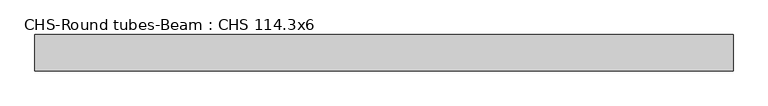
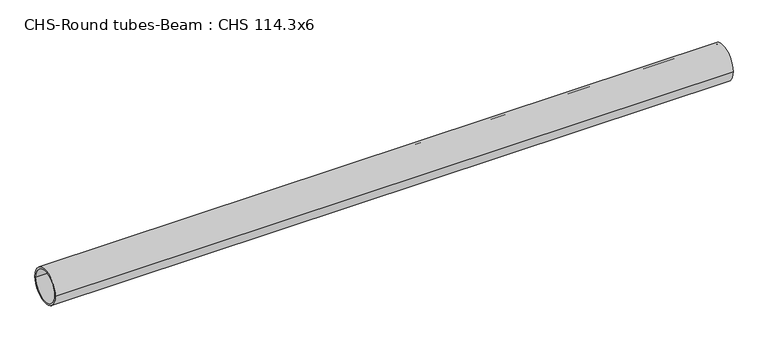
"""IFC4 building model written with IfcOpenShell, lengths in millimetres: beam geometry, CHS-Round tubes-Beam : CHS 114.3x6."""

import ifcopenshell
import ifcopenshell.guid

model = None  # the IFC model being written
_history = None  # IfcOwnerHistory: only IFC2X3 demands one
_inside = {}  # id of a spatial element -> (the spatial element, [elements in it])
_under = {}  # id of a project, library or spatial element -> (it, [spatial elements below it])
_declared = {}  # id of a project -> (the project, [libraries it declares])
_typed = {}  # id of a type object -> (the type object, [elements of that type])
_made_of = {}  # id of a material, layer set ... -> (it, [elements and type objects made of it])


def new_model(schema):
    """Start an empty IFC model of exactly this schema.

    Asked for "IFC4X3", IfcOpenShell would pick the latest addendum, in which some entities
    have other attributes; the version numbers below select the first issue.
    IFC2X3 requires an IfcOwnerHistory on every rooted entity: one is made here for all.
    """
    global model, _history
    if schema == "IFC4X3":
        model = ifcopenshell.file(schema_version=(4, 3, 0, 0))
    else:
        model = ifcopenshell.file(schema=schema)
    _inside.clear()
    _under.clear()
    _declared.clear()
    _typed.clear()
    _made_of.clear()
    _history = None
    if model.schema == "IFC2X3":
        org = make("IfcOrganization", Name="unknown")
        user = make(
            "IfcPersonAndOrganization",
            ThePerson=make("IfcPerson", FamilyName="unknown"),
            TheOrganization=org,
        )
        app = make(
            "IfcApplication",
            ApplicationDeveloper=org,
            Version="unknown",
            ApplicationFullName="unknown",
            ApplicationIdentifier="unknown",
        )
        _history = make(
            "IfcOwnerHistory",
            OwningUser=user,
            OwningApplication=app,
            ChangeAction="ADDED",
            CreationDate=0,
        )
    return model


def make(cls, **values):
    """One entity of the class cls with the attributes given. An attribute that is None is left unset."""
    return model.create_entity(
        cls, **{name: value for name, value in values.items() if value is not None}
    )


def rooted(cls, **values):
    """An entity with a GlobalId (a new one), such as an element, a storey or a relation."""
    return make(cls, GlobalId=ifcopenshell.guid.new(), OwnerHistory=_history, **values)


def si_unit(unit_type, name, prefix=None):
    """IfcSIUnit, for example si_unit("LENGTHUNIT", "METRE", prefix="MILLI")."""
    return make("IfcSIUnit", UnitType=unit_type, Prefix=prefix, Name=name)


def assignment(units):
    """IfcUnitAssignment: the units of a project."""
    return None if units is None else make("IfcUnitAssignment", Units=units)


def point(xyz):
    """IfcCartesianPoint."""
    return None if xyz is None else make("IfcCartesianPoint", Coordinates=xyz)


def direction(xyz):
    """IfcDirection."""
    return None if xyz is None else make("IfcDirection", DirectionRatios=xyz)


def frame(location, z_axis=None, x_axis=None):
    """IfcAxis2Placement3D, a coordinate frame: its origin and axes. An axis left out is left unset."""
    return make(
        "IfcAxis2Placement3D",
        Location=point(location),
        Axis=direction(z_axis),
        RefDirection=direction(x_axis),
    )


def frame_2d(location, x_axis=None):
    """IfcAxis2Placement2D, a coordinate frame in the plane: its origin and x axis."""
    return make(
        "IfcAxis2Placement2D", Location=point(location), RefDirection=direction(x_axis)
    )


def origin():
    """The frame at (0, 0, 0) with its axes left unset."""
    return frame((0.0, 0.0, 0.0))


def origin_2d():
    """The frame at (0, 0) in the plane with its x axis left unset."""
    return frame_2d((0.0, 0.0))


def place(relative_to, where):
    """IfcLocalPlacement: puts the frame where relative to a parent placement (None: the world)."""
    return make(
        "IfcLocalPlacement", PlacementRelTo=relative_to, RelativePlacement=where
    )


def context(
    kind, dimensions, precision=None, world=None, true_north=None, identifier=None
):
    """IfcGeometricRepresentationContext, for example the 3D "Model" context."""
    return make(
        "IfcGeometricRepresentationContext",
        ContextIdentifier=identifier,
        ContextType=kind,
        CoordinateSpaceDimension=dimensions,
        Precision=precision,
        WorldCoordinateSystem=world,
        TrueNorth=true_north,
    )


def project(units=None, contexts=None):
    """IfcProject with its units and contexts."""
    return rooted(
        "IfcProject",
        Name="project",
        RepresentationContexts=contexts,
        UnitsInContext=assignment(units),
    )


def spatial(cls, under=None, at=None, **own):
    """A site, building, storey or space (cls), placed at a placement, below another one or the project."""
    s = rooted(cls, ObjectPlacement=at, **own)
    if under is not None:
        _under.setdefault(under.id(), (under, []))[1].append(s)
    return s


def circle_curve(where, radius):
    """IfcCircle in the frame where."""
    return make("IfcCircle", Position=where, Radius=radius)


def trimmed(basis, trim1, trim2, sense, master):
    """IfcTrimmedCurve: the piece of a basis curve between two trims."""
    return make(
        "IfcTrimmedCurve",
        BasisCurve=basis,
        Trim1=trim1,
        Trim2=trim2,
        SenseAgreement=sense,
        MasterRepresentation=master,
    )


def segment(curve, same_sense, transition):
    """IfcCompositeCurveSegment."""
    return make(
        "IfcCompositeCurveSegment",
        Transition=transition,
        SameSense=same_sense,
        ParentCurve=curve,
    )


def composite_curve(segments, self_intersect=None):
    """IfcCompositeCurve: segments joined end to end."""
    return make("IfcCompositeCurve", Segments=segments, SelfIntersect=self_intersect)


def outline(outer, holes=None, kind="AREA"):
    """IfcArbitraryClosedProfileDef: a profile drawn as a closed curve; with holes, ...WithVoids."""
    if holes is None:
        return make("IfcArbitraryClosedProfileDef", ProfileType=kind, OuterCurve=outer)
    return make(
        "IfcArbitraryProfileDefWithVoids",
        ProfileType=kind,
        OuterCurve=outer,
        InnerCurves=holes,
    )


def extrude(swept, where, along, depth):
    """IfcExtrudedAreaSolid: the profile swept, set in the frame where, extruded along a direction by depth."""
    return make(
        "IfcExtrudedAreaSolid",
        SweptArea=swept,
        Position=where,
        ExtrudedDirection=direction(along),
        Depth=depth,
    )


def shape(context_of_items, identifier, shape_type, items):
    """IfcShapeRepresentation: the items that make up one representation, for example the "Body"."""
    return make(
        "IfcShapeRepresentation",
        ContextOfItems=context_of_items,
        RepresentationIdentifier=identifier,
        RepresentationType=shape_type,
        Items=items,
    )


def source(mapping_origin, context_of_items, identifier, shape_type, items):
    """IfcRepresentationMap: a shape defined once, which mapped items show again and again."""
    return make(
        "IfcRepresentationMap",
        MappingOrigin=mapping_origin,
        MappedRepresentation=shape(context_of_items, identifier, shape_type, items),
    )


def transform(
    local_origin,
    x_axis=None,
    y_axis=None,
    z_axis=None,
    scale=None,
    scale2=None,
    scale3=None,
    uniform=True,
):
    """IfcCartesianTransformationOperator3D, or its non-uniform kind. x_axis, y_axis, z_axis: its Axis1, 2, 3."""
    if uniform:
        return make(
            "IfcCartesianTransformationOperator3D",
            Axis1=direction(x_axis),
            Axis2=direction(y_axis),
            LocalOrigin=point(local_origin),
            Scale=scale,
            Axis3=direction(z_axis),
        )
    return make(
        "IfcCartesianTransformationOperator3DnonUniform",
        Axis1=direction(x_axis),
        Axis2=direction(y_axis),
        LocalOrigin=point(local_origin),
        Scale=scale,
        Axis3=direction(z_axis),
        Scale2=scale2,
        Scale3=scale3,
    )


def mapped(mapping_source, mapping_target):
    """IfcMappedItem: shows the shape of a source again, moved by a transform."""
    return make(
        "IfcMappedItem", MappingSource=mapping_source, MappingTarget=mapping_target
    )


def made_of(thing, what):
    """Note that an element or type object is made of a material, layer set ...; save() writes the relation."""
    if what is not None:
        _made_of.setdefault(what.id(), (what, []))[1].append(thing)
    return thing


def element(
    cls,
    number,
    at=None,
    inside=None,
    cuts=None,
    type_object=None,
    material=None,
    context=None,
    identifier="Body",
    shape_type=None,
    held_by="IfcProductDefinitionShape",
    body=None,
    shapes=None,
    **own,
):
    """One element of the class cls, such as IfcWall. Its Tag is "e" and its number.

    at: its placement. inside: the storey or other place that contains it. cuts: it is an
    opening in that element (IfcRelVoidsElement). A single representation is given by context,
    identifier, shape_type and body (its items); several are given by shapes. held_by: the class
    of the entity that holds the representations. save() writes the other relations.
    """
    e = rooted(cls, Tag="e%d" % number, ObjectPlacement=at, **own)
    if body is not None:
        shapes = [shape(context, identifier, shape_type, body)]
    if shapes is not None:
        e.Representation = make(held_by, Representations=shapes)
    if inside is not None:
        _inside.setdefault(inside.id(), (inside, []))[1].append(e)
    if cuts is not None:
        rooted(
            "IfcRelVoidsElement", RelatingBuildingElement=cuts, RelatedOpeningElement=e
        )
    if type_object is not None:
        _typed.setdefault(type_object.id(), (type_object, []))[1].append(e)
    return made_of(e, material)


def aggregate(whole, parts):
    """IfcRelAggregates: a whole, such as a stair, and the parts it consists of."""
    return rooted("IfcRelAggregates", RelatingObject=whole, RelatedObjects=parts)


def save(model, path):
    """Write the relations noted so far, then the file.

    IfcRelAggregates (storeys below a building ...), IfcRelContainedInSpatialStructure (elements
    in a storey), IfcRelDefinesByType, IfcRelAssociatesMaterial and IfcRelDeclares: one each for
    every whole, place, type object, material and project.
    """
    for whole, parts in _under.values():
        aggregate(whole, parts)
    for where, things in _inside.values():
        rooted(
            "IfcRelContainedInSpatialStructure",
            RelatedElements=things,
            RelatingStructure=where,
        )
    for kind, things in _typed.values():
        rooted("IfcRelDefinesByType", RelatedObjects=things, RelatingType=kind)
    for what, things in _made_of.values():
        rooted("IfcRelAssociatesMaterial", RelatedObjects=things, RelatingMaterial=what)
    for by, libraries in _declared.values():
        rooted("IfcRelDeclares", RelatingContext=by, RelatedDefinitions=libraries)
    model.write(path)


def chs_round_tubes_beam_chs_114_3x6_bd2d580f(model_context):
    return source(origin(), model_context, "Body", "SweptSolid", [
        extrude(outline(composite_curve([segment(trimmed(circle_curve(origin_2d(), 57.15), [point((57.15, 0.0))], [point((-57.15, 0.0))], False, "CARTESIAN"), True, "CONTINUOUS"), segment(trimmed(circle_curve(origin_2d(), 57.15), [point((-57.15, 0.0))], [point((57.15, 0.0))], False, "CARTESIAN"), True, "CONTINUOUS")], self_intersect=False), holes=[composite_curve([segment(trimmed(circle_curve(origin_2d(), 51.15), [point((51.15, 0.0))], [point((-51.15, 0.0))], True, "CARTESIAN"), True, "CONTINUOUS"), segment(trimmed(circle_curve(origin_2d(), 51.15), [point((-51.15, 0.0))], [point((51.15, 0.0))], True, "CARTESIAN"), True, "CONTINUOUS")], self_intersect=False)]), frame((-926.8083752, 0.0, 0.0), z_axis=(1.0, 0.0, 0.0), x_axis=(0.0, 1.0, 0.0)), (0.0, 0.0, 1.0), 2191.2478871),
    ])


if __name__ == "__main__":
    model = new_model("IFC4")
    model_context = context("Model", 3, world=origin())
    ifc_project = project(units=[si_unit("LENGTHUNIT", "METRE", prefix="MILLI")], contexts=[model_context])
    site = spatial("IfcSite", under=ifc_project)
    building = spatial("IfcBuilding", under=site)
    placement = place(None, origin())
    chs_round_tubes_beam_chs_114_3x6_shape = chs_round_tubes_beam_chs_114_3x6_bd2d580f(model_context)
    element("IfcBeam", 1, ObjectType="CHS-Round tubes-Beam : CHS 114.3x6", at=placement, inside=building, context=model_context, shape_type="MappedRepresentation", body=[
        mapped(chs_round_tubes_beam_chs_114_3x6_shape, transform((0.0, 0.0, 0.0), x_axis=(1.0, 0.0, 0.0), y_axis=(0.0, 1.0, 0.0), z_axis=(0.0, 0.0, 1.0))),
    ])
    save(model, "model.ifc")
